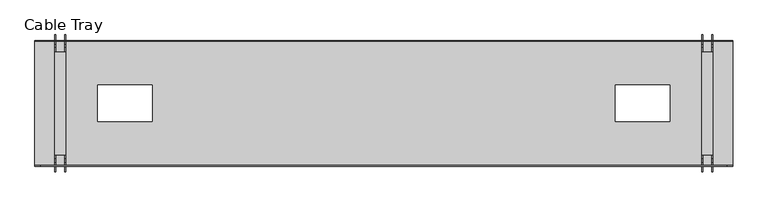
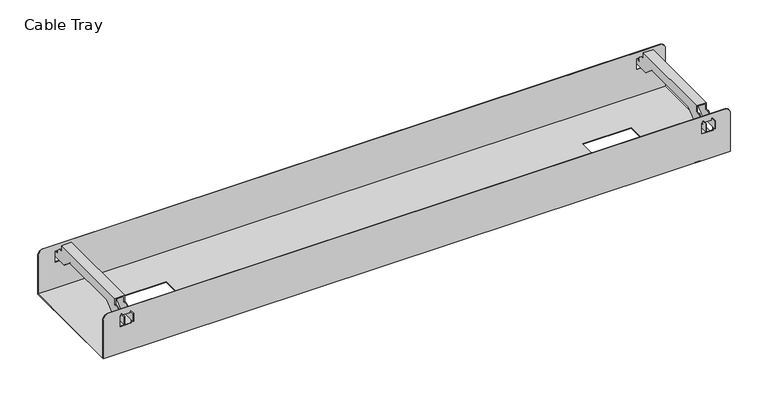
"""IFC4 building model written with IfcOpenShell, lengths in millimetres: furniture geometry, Cable Tray."""

from ifc_helpers import new_model, si_unit, frame, origin, place, context, project, spatial, circle_curve, faceted_brep, source, transform, mapped, element, save
from ifc_brep_helpers import plane_surface, cylinder_surface, advanced_brep


def cable_tray_4fe21bc6(model_context):
    return source(origin(), model_context, "Body", "SolidModel", [
        advanced_brep(
        [(189.9999976, 70.9998744, 616.0), (1410.0000024, 70.9998744, 616.0), (1410.0000024, 288.9998724, 616.0), (189.9999976, 288.9998724, 616.0), (394.9999976, 147.9998734, 616.0), (299.9999976, 147.9998734, 616.0), (299.9999976, 211.9998734, 616.0), (394.9999976, 211.9998734, 616.0), (1205.0000024, 147.9998734, 616.0), (1205.0000024, 211.9998734, 616.0), (1300.0000024, 211.9998734, 616.0), (1300.0000024, 147.9998734, 616.0), (189.9999976, 69.9998744, 615.0), (189.9999976, 289.9998724, 615.0), (1410.0000024, 289.9998724, 615.0), (1409.9999488, 69.9998744, 615.0), (394.9999976, 147.9998734, 615.0), (394.9999976, 211.9998734, 615.0), (299.9999976, 211.9998734, 615.0), (299.9999976, 147.9998734, 615.0), (1205.0000024, 147.9998734, 615.0), (1300.0000024, 147.9998734, 615.0), (1300.0000024, 211.9998734, 615.0), (1205.0000024, 211.9998734, 615.0), (189.9999976, 288.9998724, 695.0), (189.9999976, 289.9998724, 695.0), (189.9999976, 69.9998744, 695.0), (189.9999976, 70.9998744, 695.0), (1410.0000024, 70.9998744, 695.0), (1410.0000024, 69.9998744, 695.0), (1410.0000024, 289.9998724, 695.0), (1410.0000024, 288.9998724, 695.0), (1399.9999488, 70.9998744, 705.0), (199.9999976, 70.9998744, 705.0), (1376.9990561, 70.9998744, 670.0), (1376.9990561, 70.9998744, 692.0), (1354.9990182, 70.9998744, 692.0), (1354.9990182, 70.9998744, 670.0), (223.0009439, 70.9998744, 670.0), (245.0009818, 70.9998744, 670.0), (245.0009818, 70.9998744, 692.0), (223.0009439, 70.9998744, 692.0), (1399.9999488, 69.9998744, 705.0), (199.9999976, 69.9998744, 705.0), (1376.9990561, 69.9998744, 670.0), (1354.9990182, 69.9998744, 670.0), (1354.9990182, 69.9998744, 692.0), (1376.9990561, 69.9998744, 692.0), (223.0009439, 69.9998744, 670.0), (223.0009439, 69.9998744, 692.0), (245.0009818, 69.9998744, 692.0), (245.0009818, 69.9998744, 670.0), (1400.0000024, 288.9998724, 705.0), (199.9999976, 288.9998724, 705.0), (1376.9990561, 288.9998724, 670.0), (1354.9990182, 288.9998724, 670.0), (1354.9990182, 288.9998724, 692.0), (1376.9990561, 288.9998724, 692.0), (223.0009439, 288.9998724, 670.0), (223.0009439, 288.9998724, 692.0), (245.0009818, 288.9998724, 692.0), (245.0009818, 288.9998724, 670.0), (1400.0000024, 289.9998724, 705.0), (199.9999976, 289.9998724, 705.0), (1376.9990561, 289.9998724, 670.0), (1376.9990561, 289.9998724, 692.0), (1354.9990182, 289.9998724, 692.0), (1354.9990182, 289.9998724, 670.0), (223.0009439, 289.9998724, 670.0), (245.0009818, 289.9998724, 670.0), (245.0009818, 289.9998724, 692.0), (223.0009439, 289.9998724, 692.0)],
        [
            (0, 1),
            (1, 2),
            (2, 3),
            (3, 0),
            (4, 5),
            (5, 6),
            (6, 7),
            (7, 4),
            (8, 9),
            (9, 10),
            (10, 11),
            (11, 8),
            (12, 13),
            (13, 14),
            (14, 15),
            (15, 12),
            (16, 17),
            (17, 18),
            (18, 19),
            (19, 16),
            (20, 21),
            (21, 22),
            (22, 23),
            (23, 20),
            (3, 24),
            (24, 25),
            (25, 13),
            (12, 26),
            (26, 27),
            (27, 0),
            (1, 28),
            (28, 29),
            (29, 15),
            (14, 30),
            (30, 31),
            (31, 2),
            (7, 17),
            (16, 4),
            (6, 18),
            (5, 19),
            (11, 21),
            (20, 8),
            (10, 22),
            (9, 23),
            (32, 28, circle_curve(frame((1399.9999488, 70.9998744, 695.0), z_axis=(0.0, 1.0, 0.0), x_axis=(1.0, 0.0, 0.0)), 10.0)),
            (27, 33, circle_curve(frame((199.9999976, 70.9998744, 695.0), z_axis=(0.0, 1.0, 0.0), x_axis=(1.0, 0.0, 0.0)), 10.0)),
            (33, 32),
            (34, 35),
            (35, 36),
            (36, 37),
            (37, 34),
            (38, 39),
            (39, 40),
            (40, 41),
            (41, 38),
            (42, 43),
            (43, 26, circle_curve(frame((199.9999976, 69.9998744, 695.0), z_axis=(0.0, -1.0, 0.0), x_axis=(1.0, 0.0, 0.0)), 10.0)),
            (29, 42, circle_curve(frame((1399.9999488, 69.9998744, 695.0), z_axis=(0.0, -1.0, 0.0), x_axis=(1.0, 0.0, 0.0)), 10.0)),
            (44, 45),
            (45, 46),
            (46, 47),
            (47, 44),
            (48, 49),
            (49, 50),
            (50, 51),
            (51, 48),
            (33, 43),
            (42, 32),
            (37, 45),
            (44, 34),
            (36, 46),
            (35, 47),
            (41, 49),
            (48, 38),
            (40, 50),
            (39, 51),
            (52, 53),
            (53, 24, circle_curve(frame((199.9999976, 288.9998724, 695.0), z_axis=(0.0, -1.0, 0.0), x_axis=(1.0, 0.0, 0.0)), 10.0)),
            (31, 52, circle_curve(frame((1400.0000024, 288.9998724, 695.0), z_axis=(0.0, -1.0, 0.0), x_axis=(1.0, 0.0, 0.0)), 10.0)),
            (54, 55),
            (55, 56),
            (56, 57),
            (57, 54),
            (58, 59),
            (59, 60),
            (60, 61),
            (61, 58),
            (62, 30, circle_curve(frame((1400.0000024, 289.9998724, 695.0), z_axis=(0.0, 1.0, 0.0), x_axis=(1.0, 0.0, 0.0)), 10.0)),
            (25, 63, circle_curve(frame((199.9999976, 289.9998724, 695.0), z_axis=(0.0, 1.0, 0.0), x_axis=(1.0, 0.0, 0.0)), 10.0)),
            (63, 62),
            (64, 65),
            (65, 66),
            (66, 67),
            (67, 64),
            (68, 69),
            (69, 70),
            (70, 71),
            (71, 68),
            (52, 62),
            (63, 53),
            (54, 64),
            (67, 55),
            (66, 56),
            (65, 57),
            (58, 68),
            (71, 59),
            (70, 60),
            (69, 61),
        ],
        [
            plane_surface(frame((189.9999976, 70.9998744, 616.0), z_axis=(0.0, 0.0, 1.0), x_axis=(-1.0, 0.0, 0.0))),
            plane_surface(frame((189.9999976, 70.9998744, 615.0), z_axis=(0.0, 0.0, -1.0), x_axis=(1.0, 0.0, 0.0))),
            plane_surface(frame((189.9999976, 70.9998744, 616.0), z_axis=(-1.0, 0.0, 0.0), x_axis=(0.0, 0.0, -1.0))),
            plane_surface(frame((1410.0000024, 288.9998724, 616.0), z_axis=(1.0, 0.0, 0.0), x_axis=(0.0, 0.0, -1.0))),
            plane_surface(frame((394.9999976, 147.9998734, 616.0), z_axis=(-1.0, 0.0, 0.0), x_axis=(0.0, 0.0, -1.0))),
            plane_surface(frame((394.9999976, 211.9998734, 616.0), z_axis=(0.0, -1.0, 0.0), x_axis=(0.0, 0.0, -1.0))),
            plane_surface(frame((299.9999976, 211.9998734, 616.0), z_axis=(1.0, 0.0, 0.0), x_axis=(0.0, 0.0, -1.0))),
            plane_surface(frame((299.9999976, 147.9998734, 616.0), z_axis=(0.0, 1.0, 0.0), x_axis=(0.0, 0.0, -1.0))),
            plane_surface(frame((1205.0000024, 147.9998734, 616.0), z_axis=(0.0, 1.0, 0.0), x_axis=(0.0, 0.0, -1.0))),
            plane_surface(frame((1300.0000024, 147.9998734, 616.0), z_axis=(-1.0, 0.0, 0.0), x_axis=(0.0, 0.0, -1.0))),
            plane_surface(frame((1300.0000024, 211.9998734, 616.0), z_axis=(0.0, -1.0, 0.0), x_axis=(0.0, 0.0, -1.0))),
            plane_surface(frame((1205.0000024, 211.9998734, 616.0), z_axis=(1.0, 0.0, 0.0), x_axis=(0.0, 0.0, -1.0))),
            plane_surface(frame((199.9999976, 70.9998744, 705.0), z_axis=(0.0, 1.0, 0.0), x_axis=(-1.0, 0.0, 0.0))),
            plane_surface(frame((199.9999976, 69.9998744, 705.0), z_axis=(0.0, -1.0, 0.0), x_axis=(1.0, 0.0, 0.0))),
            plane_surface(frame((1399.9999488, 70.9998744, 705.0), z_axis=(0.0, 0.0, 1.0), x_axis=(0.0, -1.0, 0.0))),
            cylinder_surface(frame((199.9999976, 69.9998744, 695.0), z_axis=(0.0, 1.0, 0.0), x_axis=(1.0, 0.0, 0.0)), 10.0),
            cylinder_surface(frame((1399.9999488, 69.9998744, 695.0), z_axis=(0.0, 1.0, 0.0), x_axis=(1.0, 0.0, 0.0)), 10.0),
            plane_surface(frame((1376.9990561, 70.9998744, 670.0), z_axis=(0.0, 0.0, 1.0), x_axis=(0.0, -1.0, 0.0))),
            plane_surface(frame((1354.9990182, 70.9998744, 670.0), z_axis=(1.0, 0.0, 0.0), x_axis=(0.0, -1.0, 0.0))),
            plane_surface(frame((1354.9990182, 70.9998744, 692.0), z_axis=(0.0, 0.0, -1.0), x_axis=(0.0, -1.0, 0.0))),
            plane_surface(frame((1376.9990561, 70.9998744, 692.0), z_axis=(-1.0, 0.0, 0.0), x_axis=(0.0, -1.0, 0.0))),
            plane_surface(frame((223.0009439, 70.9998744, 670.0), z_axis=(1.0, 0.0, 0.0), x_axis=(0.0, -1.0, 0.0))),
            plane_surface(frame((223.0009439, 70.9998744, 692.0), z_axis=(0.0, 0.0, -1.0), x_axis=(0.0, -1.0, 0.0))),
            plane_surface(frame((245.0009818, 70.9998744, 692.0), z_axis=(-1.0, 0.0, 0.0), x_axis=(0.0, -1.0, 0.0))),
            plane_surface(frame((245.0009818, 70.9998744, 670.0), z_axis=(0.0, 0.0, 1.0), x_axis=(0.0, -1.0, 0.0))),
            plane_surface(frame((1410.0000024, 288.9998724, 695.0), z_axis=(0.0, -1.0, 0.0), x_axis=(0.0, 0.0, -1.0))),
            plane_surface(frame((1410.0000024, 289.9998724, 695.0), z_axis=(0.0, 1.0, 0.0), x_axis=(0.0, 0.0, 1.0))),
            plane_surface(frame((199.9999976, 288.9998724, 705.0), z_axis=(0.0, 0.0, 1.0), x_axis=(0.0, 1.0, 0.0))),
            cylinder_surface(frame((199.9999976, 289.9998724, 695.0), z_axis=(0.0, -1.0, 0.0), x_axis=(1.0, 0.0, 0.0)), 10.0),
            cylinder_surface(frame((1400.0000024, 289.9998724, 695.0), z_axis=(0.0, -1.0, 0.0), x_axis=(1.0, 0.0, 0.0)), 10.0),
            plane_surface(frame((1354.9990182, 288.9998724, 670.0), z_axis=(0.0, 0.0, 1.0), x_axis=(0.0, 1.0, 0.0))),
            plane_surface(frame((1354.9990182, 288.9998724, 692.0), z_axis=(1.0, 0.0, 0.0), x_axis=(0.0, 1.0, 0.0))),
            plane_surface(frame((1376.9990561, 288.9998724, 692.0), z_axis=(0.0, 0.0, -1.0), x_axis=(0.0, 1.0, 0.0))),
            plane_surface(frame((1376.9990561, 288.9998724, 670.0), z_axis=(-1.0, 0.0, 0.0), x_axis=(0.0, 1.0, 0.0))),
            plane_surface(frame((223.0009439, 288.9998724, 692.0), z_axis=(1.0, 0.0, 0.0), x_axis=(0.0, 1.0, 0.0))),
            plane_surface(frame((245.0009818, 288.9998724, 692.0), z_axis=(0.0, 0.0, -1.0), x_axis=(0.0, 1.0, 0.0))),
            plane_surface(frame((245.0009818, 288.9998724, 670.0), z_axis=(-1.0, 0.0, 0.0), x_axis=(0.0, 1.0, 0.0))),
            plane_surface(frame((223.0009439, 288.9998724, 670.0), z_axis=(0.0, 0.0, 1.0), x_axis=(0.0, 1.0, 0.0))),
        ],
        [
            (0, [[1, 2, 3, 4], [5, 6, 7, 8], [9, 10, 11, 12]]),
            (1, [[13, 14, 15, 16], [17, 18, 19, 20], [21, 22, 23, 24]]),
            (2, [[25, 26, 27, -13, 28, 29, 30, -4]]),
            (3, [[31, 32, 33, -15, 34, 35, 36, -2]]),
            (4, [[37, -17, 38, -8]]),
            (5, [[39, -18, -37, -7]]),
            (6, [[40, -19, -39, -6]]),
            (7, [[-38, -20, -40, -5]]),
            (8, [[41, -21, 42, -12]]),
            (9, [[43, -22, -41, -11]]),
            (10, [[44, -23, -43, -10]]),
            (11, [[-42, -24, -44, -9]]),
            (12, [[45, -31, -1, -30, 46, 47], [48, 49, 50, 51], [52, 53, 54, 55]]),
            (13, [[56, 57, -28, -16, -33, 58], [59, 60, 61, 62], [63, 64, 65, 66]]),
            (14, [[67, -56, 68, -47]]),
            (15, [[-29, -57, -67, -46]]),
            (16, [[-68, -58, -32, -45]]),
            (17, [[69, -59, 70, -51]]),
            (18, [[71, -60, -69, -50]]),
            (19, [[72, -61, -71, -49]]),
            (20, [[-70, -62, -72, -48]]),
            (21, [[73, -63, 74, -55]]),
            (22, [[75, -64, -73, -54]]),
            (23, [[76, -65, -75, -53]]),
            (24, [[-74, -66, -76, -52]]),
            (25, [[77, 78, -25, -3, -36, 79], [80, 81, 82, 83], [84, 85, 86, 87]]),
            (26, [[88, -34, -14, -27, 89, 90], [91, 92, 93, 94], [95, 96, 97, 98]]),
            (27, [[99, -90, 100, -77]]),
            (28, [[-100, -89, -26, -78]]),
            (29, [[-35, -88, -99, -79]]),
            (30, [[101, -94, 102, -80]]),
            (31, [[-102, -93, 103, -81]]),
            (32, [[-103, -92, 104, -82]]),
            (33, [[-104, -91, -101, -83]]),
            (34, [[105, -98, 106, -84]]),
            (35, [[-106, -97, 107, -85]]),
            (36, [[-107, -96, 108, -86]]),
            (37, [[-108, -95, -105, -87]]),
        ],
    ),
        faceted_brep([(1356.4999999, 269.9996975, 702.5), (1356.4999999, 269.9996975, 715.0), (1375.4999995, 269.9996975, 715.0), (1375.4999995, 269.9996975, 702.5), (1373.9999995, 269.9996975, 702.5), (1373.9999995, 269.9996975, 713.5), (1357.9999999, 269.9996975, 713.5), (1357.9999999, 269.9996975, 702.5), (1375.4999995, 89.9998106, 715.0), (1356.4999999, 89.9998106, 715.0), (1356.4999999, 89.9998106, 702.5), (1357.9999999, 89.9998106, 702.5), (1357.9999999, 89.9998106, 713.5), (1373.9999995, 89.9998106, 713.5), (1373.9999995, 89.9998106, 702.5), (1375.4999995, 89.9998106, 702.5), (1375.4999995, 82.7409214, 702.5), (1375.4999995, 76.9998734, 697.6826888), (1375.4999995, 76.9998734, 690.0), (1375.4999995, 68.9998206, 690.0), (1375.4999995, 68.9998206, 696.0), (1375.4999995, 59.9998734, 696.0), (1375.4999995, 59.9998734, 680.0), (1375.4999995, 99.0498042, 680.0), (1375.4999995, 118.1178617, 696.0), (1375.4999995, 241.8818851, 696.0), (1375.4999995, 260.9499426, 680.0), (1375.4999995, 299.9998734, 680.0), (1375.4999995, 299.9998734, 696.0), (1375.4999995, 290.9999263, 696.0), (1375.4999995, 290.9999263, 690.0), (1375.4999995, 282.9998734, 690.0), (1375.4999995, 282.9998734, 697.6826888), (1375.4999995, 277.2588255, 702.5), (1356.4999999, 277.2588255, 702.5), (1356.4999999, 282.9998734, 697.6826888), (1356.4999999, 282.9998734, 690.0), (1356.4999999, 290.9999263, 690.0), (1356.4999999, 290.9999263, 696.0), (1356.4999999, 299.9998734, 696.0), (1356.4999999, 299.9998734, 680.0), (1356.4999999, 260.9499426, 680.0), (1356.4999999, 241.8818851, 696.0), (1356.4999999, 118.1178617, 696.0), (1356.4999999, 99.0498042, 680.0), (1356.4999999, 59.9998734, 680.0), (1356.4999999, 59.9998734, 696.0), (1356.4999999, 68.9998206, 696.0), (1356.4999999, 68.9998206, 690.0), (1356.4999999, 76.9998734, 690.0), (1356.4999999, 76.9998734, 697.6826888), (1356.4999999, 82.7409214, 702.5), (1373.9999995, 277.2588255, 702.5), (1373.9999995, 282.9998734, 697.6826888), (1373.9999995, 282.9998734, 690.0), (1373.9999995, 290.9999263, 690.0), (1373.9999995, 290.9999263, 696.0), (1373.9999995, 299.9998734, 696.0), (1373.9999995, 299.9998734, 680.0), (1373.9999995, 260.9499426, 680.0), (1373.9999995, 241.8818851, 696.0), (1373.9999995, 118.1178617, 696.0), (1373.9999995, 99.0498042, 680.0), (1373.9999995, 59.9998734, 680.0), (1373.9999995, 59.9998734, 696.0), (1373.9999995, 68.9998206, 696.0), (1373.9999995, 68.9998206, 690.0), (1373.9999995, 76.9998734, 690.0), (1373.9999995, 76.9998734, 697.6826888), (1373.9999995, 82.7409214, 702.5), (1357.9999999, 82.7409214, 702.5), (1357.9999999, 76.9998734, 697.6826888), (1357.9999999, 76.9998734, 690.0), (1357.9999999, 68.9998206, 690.0), (1357.9999999, 68.9998206, 696.0), (1357.9999999, 59.9998734, 696.0), (1357.9999999, 59.9998734, 680.0), (1357.9999999, 99.0498042, 680.0), (1357.9999999, 118.1178617, 696.0), (1357.9999999, 241.8818851, 696.0), (1357.9999999, 260.9499426, 680.0), (1357.9999999, 299.9998734, 680.0), (1357.9999999, 299.9998734, 696.0), (1357.9999999, 290.9999263, 696.0), (1357.9999999, 290.9999263, 690.0), (1357.9999999, 282.9998734, 690.0), (1357.9999999, 282.9998734, 697.6826888), (1357.9999999, 277.2588255, 702.5)], [[[0, 1, 2, 3, 4, 5, 6, 7]], [[8, 9, 10, 11, 12, 13, 14, 15]], [[1, 9, 8, 2]], [[8, 15, 16, 17, 18, 19, 20, 21, 22, 23, 24, 25, 26, 27, 28, 29, 30, 31, 32, 33, 3, 2]], [[13, 12, 6, 5]], [[0, 34, 35, 36, 37, 38, 39, 40, 41, 42, 43, 44, 45, 46, 47, 48, 49, 50, 51, 10, 9, 1]], [[14, 13, 5, 4, 52, 53, 54, 55, 56, 57, 58, 59, 60, 61, 62, 63, 64, 65, 66, 67, 68, 69]], [[4, 3, 33, 52]], [[52, 33, 32, 53]], [[53, 32, 31, 54]], [[54, 31, 30, 55]], [[55, 30, 29, 56]], [[56, 29, 28, 57]], [[57, 28, 27, 58]], [[58, 27, 26, 59]], [[59, 26, 25, 60]], [[60, 25, 24, 61]], [[61, 24, 23, 62]], [[62, 23, 22, 63]], [[63, 22, 21, 64]], [[64, 21, 20, 65]], [[65, 20, 19, 66]], [[66, 19, 18, 67]], [[67, 18, 17, 68]], [[68, 17, 16, 69]], [[69, 16, 15, 14]], [[7, 6, 12, 11, 70, 71, 72, 73, 74, 75, 76, 77, 78, 79, 80, 81, 82, 83, 84, 85, 86, 87]], [[0, 7, 87, 34]], [[34, 87, 86, 35]], [[35, 86, 85, 36]], [[36, 85, 84, 37]], [[37, 84, 83, 38]], [[38, 83, 82, 39]], [[39, 82, 81, 40]], [[40, 81, 80, 41]], [[41, 80, 79, 42]], [[42, 79, 78, 43]], [[43, 78, 77, 44]], [[44, 77, 76, 45]], [[45, 76, 75, 46]], [[46, 75, 74, 47]], [[47, 74, 73, 48]], [[48, 73, 72, 49]], [[49, 72, 71, 50]], [[50, 71, 70, 51]], [[51, 70, 11, 10]]]),
        faceted_brep([(224.5000005, 269.9996975, 715.0), (243.5000001, 269.9996975, 715.0), (243.5000001, 269.9996975, 702.5), (242.0000001, 269.9996975, 702.5), (242.0000001, 269.9996975, 713.5), (226.0000005, 269.9996975, 713.5), (226.0000005, 269.9996975, 702.5), (224.5000005, 269.9996975, 702.5), (243.5000001, 89.9998106, 702.5), (243.5000001, 89.9998106, 715.0), (224.5000005, 89.9998106, 715.0), (224.5000005, 89.9998106, 702.5), (226.0000005, 89.9998106, 702.5), (226.0000005, 89.9998106, 713.5), (242.0000001, 89.9998106, 713.5), (242.0000001, 89.9998106, 702.5), (224.5000005, 277.2588255, 702.5), (224.5000005, 282.9998734, 697.6826888), (224.5000005, 282.9998734, 690.0), (224.5000005, 290.9999263, 690.0), (224.5000005, 290.9999263, 696.0), (224.5000005, 299.9998734, 696.0), (224.5000005, 299.9998734, 680.0), (224.5000005, 260.9499426, 680.0), (224.5000005, 241.8818851, 696.0), (224.5000005, 118.1178617, 696.0), (224.5000005, 99.0498042, 680.0), (224.5000005, 59.9998734, 680.0), (224.5000005, 59.9998734, 696.0), (224.5000005, 68.9998206, 696.0), (224.5000005, 68.9998206, 690.0), (224.5000005, 76.9998734, 690.0), (224.5000005, 76.9998734, 697.6826888), (224.5000005, 82.7409214, 702.5), (243.5000001, 82.7409214, 702.5), (243.5000001, 76.9998734, 697.6826888), (243.5000001, 76.9998734, 690.0), (243.5000001, 68.9998206, 690.0), (243.5000001, 68.9998206, 696.0), (243.5000001, 59.9998734, 696.0), (243.5000001, 59.9998734, 680.0), (243.5000001, 99.0498042, 680.0), (243.5000001, 118.1178617, 696.0), (243.5000001, 241.8818851, 696.0), (243.5000001, 260.9499426, 680.0), (243.5000001, 299.9998734, 680.0), (243.5000001, 299.9998734, 696.0), (243.5000001, 290.9999263, 696.0), (243.5000001, 290.9999263, 690.0), (243.5000001, 282.9998734, 690.0), (243.5000001, 282.9998734, 697.6826888), (243.5000001, 277.2588255, 702.5), (226.0000005, 82.7409214, 702.5), (226.0000005, 76.9998734, 697.6826888), (226.0000005, 76.9998734, 690.0), (226.0000005, 68.9998206, 690.0), (226.0000005, 68.9998206, 696.0), (226.0000005, 59.9998734, 696.0), (226.0000005, 59.9998734, 680.0), (226.0000005, 99.0498042, 680.0), (226.0000005, 118.1178617, 696.0), (226.0000005, 241.8818851, 696.0), (226.0000005, 260.9499426, 680.0), (226.0000005, 299.9998734, 680.0), (226.0000005, 299.9998734, 696.0), (226.0000005, 290.9999263, 696.0), (226.0000005, 290.9999263, 690.0), (226.0000005, 282.9998734, 690.0), (226.0000005, 282.9998734, 697.6826888), (226.0000005, 277.2588255, 702.5), (242.0000001, 277.2588255, 702.5), (242.0000001, 282.9998734, 697.6826888), (242.0000001, 282.9998734, 690.0), (242.0000001, 290.9999263, 690.0), (242.0000001, 290.9999263, 696.0), (242.0000001, 299.9998734, 696.0), (242.0000001, 299.9998734, 680.0), (242.0000001, 260.9499426, 680.0), (242.0000001, 241.8818851, 696.0), (242.0000001, 118.1178617, 696.0), (242.0000001, 99.0498042, 680.0), (242.0000001, 59.9998734, 680.0), (242.0000001, 59.9998734, 696.0), (242.0000001, 68.9998206, 696.0), (242.0000001, 68.9998206, 690.0), (242.0000001, 76.9998734, 690.0), (242.0000001, 76.9998734, 697.6826888), (242.0000001, 82.7409214, 702.5)], [[[0, 1, 2, 3, 4, 5, 6, 7]], [[8, 9, 10, 11, 12, 13, 14, 15]], [[0, 10, 9, 1]], [[0, 7, 16, 17, 18, 19, 20, 21, 22, 23, 24, 25, 26, 27, 28, 29, 30, 31, 32, 33, 11, 10]], [[5, 4, 14, 13]], [[1, 9, 8, 34, 35, 36, 37, 38, 39, 40, 41, 42, 43, 44, 45, 46, 47, 48, 49, 50, 51, 2]], [[6, 5, 13, 12, 52, 53, 54, 55, 56, 57, 58, 59, 60, 61, 62, 63, 64, 65, 66, 67, 68, 69]], [[69, 16, 7, 6]], [[68, 17, 16, 69]], [[67, 18, 17, 68]], [[66, 19, 18, 67]], [[65, 20, 19, 66]], [[64, 21, 20, 65]], [[63, 22, 21, 64]], [[62, 23, 22, 63]], [[61, 24, 23, 62]], [[60, 25, 24, 61]], [[59, 26, 25, 60]], [[58, 27, 26, 59]], [[57, 28, 27, 58]], [[56, 29, 28, 57]], [[55, 30, 29, 56]], [[54, 31, 30, 55]], [[53, 32, 31, 54]], [[52, 33, 32, 53]], [[12, 11, 33, 52]], [[15, 14, 4, 3, 70, 71, 72, 73, 74, 75, 76, 77, 78, 79, 80, 81, 82, 83, 84, 85, 86, 87]], [[51, 70, 3, 2]], [[50, 71, 70, 51]], [[49, 72, 71, 50]], [[48, 73, 72, 49]], [[47, 74, 73, 48]], [[46, 75, 74, 47]], [[45, 76, 75, 46]], [[44, 77, 76, 45]], [[43, 78, 77, 44]], [[42, 79, 78, 43]], [[41, 80, 79, 42]], [[40, 81, 80, 41]], [[39, 82, 81, 40]], [[38, 83, 82, 39]], [[37, 84, 83, 38]], [[36, 85, 84, 37]], [[35, 86, 85, 36]], [[34, 87, 86, 35]], [[8, 15, 87, 34]]]),
    ])


if __name__ == "__main__":
    model = new_model("IFC4")
    model_context = context("Model", 3, world=origin())
    ifc_project = project(units=[si_unit("LENGTHUNIT", "METRE", prefix="MILLI")], contexts=[model_context])
    site = spatial("IfcSite", under=ifc_project)
    building = spatial("IfcBuilding", under=site)
    placement = place(None, origin())
    cable_tray_shape = cable_tray_4fe21bc6(model_context)
    element("IfcFurniture", 1, ObjectType="Cable Tray", at=placement, inside=building, context=model_context, shape_type="MappedRepresentation", body=[
        mapped(cable_tray_shape, transform((0.0, 0.0, 0.0), x_axis=(1.0, 0.0, 0.0), y_axis=(0.0, 1.0, 0.0), z_axis=(0.0, 0.0, 1.0))),
    ])
    save(model, "model.ifc")
